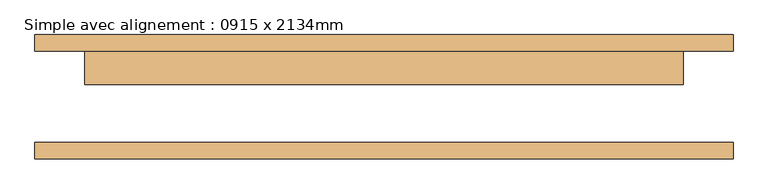
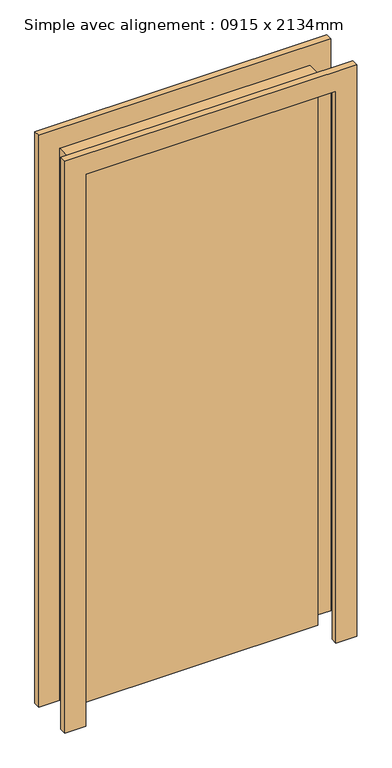
"""IFC4 building model written with IfcOpenShell, lengths in millimetres: door geometry, Simple avec alignement : 0915 x 2134mm."""

from ifc_helpers import new_model, si_unit, frame, origin, origin_with_axes, place, context, project, spatial, polyline, outline, extrude, source, transform, mapped, element, save


def simple_avec_alignement_0915_x_2134mm_8e7afd8c(model_context):
    return source(origin(), model_context, "Body", "SweptSolid", [
        extrude(outline(polyline([(2210.0, -533.5), (0.0, -533.5), (0.0, -457.5), (2134.0, -457.5), (2134.0, 457.5), (0.0, 457.5), (0.0, 533.5), (2210.0, 533.5), (2210.0, -533.5)])), frame((0.0, 70.0, 0.0), z_axis=(0.0, 1.0, 0.0), x_axis=(0.0, 0.0, 1.0)), (0.0, 0.0, 1.0), 25.0),
        extrude(outline(polyline([(2210.0, 533.5), (2210.0, -533.5), (0.0, -533.5), (0.0, -457.5), (2134.0, -457.5), (2134.0, 457.5), (0.0, 457.5), (0.0, 533.5), (2210.0, 533.5)])), frame((0.0, -95.0, 0.0), z_axis=(0.0, 1.0, 0.0), x_axis=(0.0, 0.0, 1.0)), (0.0, 0.0, 1.0), 25.0),
        extrude(outline(polyline([(457.5, 19.0), (-457.5, 19.0), (-457.5, 70.0), (457.5, 70.0), (457.5, 19.0)])), origin_with_axes(), (0.0, 0.0, 1.0), 2134.0),
    ])


if __name__ == "__main__":
    model = new_model("IFC4")
    model_context = context("Model", 3, world=origin())
    ifc_project = project(units=[si_unit("LENGTHUNIT", "METRE", prefix="MILLI")], contexts=[model_context])
    site = spatial("IfcSite", under=ifc_project)
    building = spatial("IfcBuilding", under=site)
    placement = place(None, origin())
    simple_avec_alignement_0915_x_2134mm_shape = simple_avec_alignement_0915_x_2134mm_8e7afd8c(model_context)
    element("IfcDoor", 1, ObjectType="Simple avec alignement : 0915 x 2134mm", at=placement, inside=building, context=model_context, shape_type="MappedRepresentation", body=[
        mapped(simple_avec_alignement_0915_x_2134mm_shape, transform((0.0, 0.0, 0.0), x_axis=(1.0, 0.0, 0.0), y_axis=(0.0, 1.0, 0.0), z_axis=(0.0, 0.0, 1.0))),
    ])
    save(model, "model.ifc")
